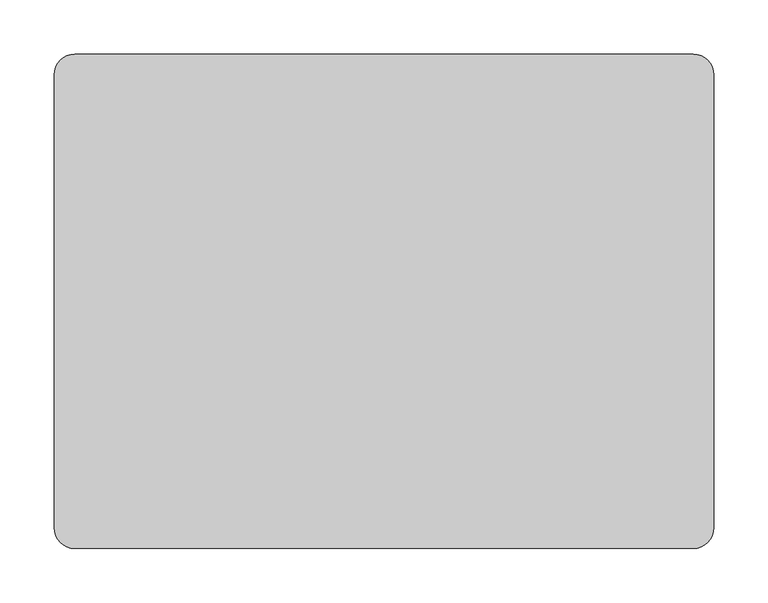
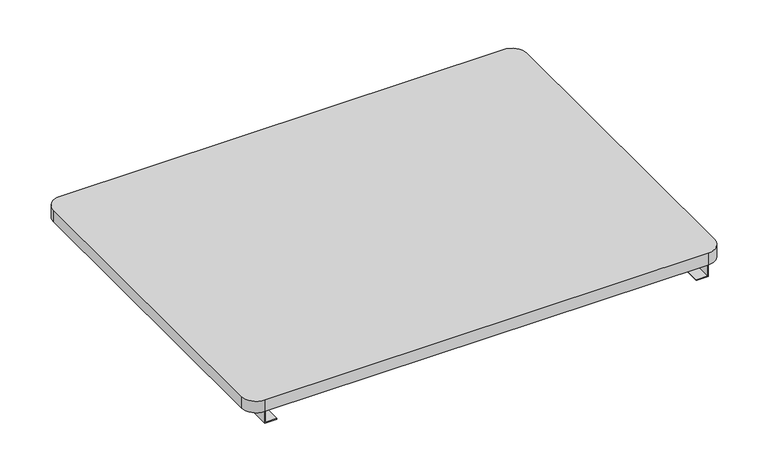
"""IFC4 building model written with IfcOpenShell, lengths in millimetres: furniture geometry."""

from ifc_helpers import new_model, si_unit, point, frame, frame_2d, origin, place, context, project, spatial, polyline, circle_curve, trimmed, segment, composite_curve, outline, extrude, source, transform, mapped, element, save


def furniture_171c40ad(model_context):
    return source(origin(), model_context, "Body", "SweptSolid", [
        extrude(outline(composite_curve([segment(trimmed(circle_curve(frame_2d((285.75, 209.55)), 19.05), [point((285.75, 228.6))], [point((304.8, 209.55))], False, "CARTESIAN"), True, "CONTINUOUS"), segment(polyline([(304.8, 209.55), (304.8, -209.55)]), True, "CONTINUOUS"), segment(trimmed(circle_curve(frame_2d((285.75, -209.55)), 19.05), [point((304.8, -209.55))], [point((285.75, -228.6))], False, "CARTESIAN"), True, "CONTINUOUS"), segment(polyline([(285.75, -228.6), (-285.75, -228.6)]), True, "CONTINUOUS"), segment(trimmed(circle_curve(frame_2d((-285.75, -209.55)), 19.05), [point((-285.75, -228.6))], [point((-304.8, -209.55))], False, "CARTESIAN"), True, "CONTINUOUS"), segment(polyline([(-304.8, -209.55), (-304.8, 209.55)]), True, "CONTINUOUS"), segment(trimmed(circle_curve(frame_2d((-285.75, 209.55)), 19.05), [point((-304.8, 209.55))], [point((-285.75, 228.6))], False, "CARTESIAN"), True, "CONTINUOUS"), segment(polyline([(-285.75, 228.6), (285.75, 228.6)]), True, "CONTINUOUS")], self_intersect=False)), frame((0.0, 0.0, 911.225), z_axis=(0.0, 0.0, 1.0), x_axis=(1.0, 0.0, 0.0)), (0.0, 0.0, 1.0), 15.875),
        extrude(outline(polyline([(895.35, -285.75), (895.35, -269.875), (896.14375, -269.875), (896.14375, -284.95625), (911.225, -284.95625), (911.225, -285.75), (895.35, -285.75)])), frame((0.0, -228.6, 0.0), z_axis=(0.0, 1.0, 0.0), x_axis=(0.0, 0.0, 1.0)), (0.0, 0.0, 1.0), 457.2),
        extrude(outline(polyline([(895.35, 285.75), (911.225, 285.75), (911.225, 284.95625), (896.14375, 284.95625), (896.14375, 269.875), (895.35, 269.875), (895.35, 285.75)])), frame((0.0, -228.6, 0.0), z_axis=(0.0, 1.0, 0.0), x_axis=(0.0, 0.0, 1.0)), (0.0, 0.0, 1.0), 457.2),
    ])


if __name__ == "__main__":
    model = new_model("IFC4")
    model_context = context("Model", 3, world=origin())
    ifc_project = project(units=[si_unit("LENGTHUNIT", "METRE", prefix="MILLI")], contexts=[model_context])
    site = spatial("IfcSite", under=ifc_project)
    building = spatial("IfcBuilding", under=site)
    placement = place(None, origin())
    furniture_shape = furniture_171c40ad(model_context)
    element("IfcFurniture", 1, at=placement, inside=building, context=model_context, shape_type="MappedRepresentation", body=[
        mapped(furniture_shape, transform((0.0, 0.0, 0.0), x_axis=(1.0, 0.0, 0.0), y_axis=(0.0, 1.0, 0.0), z_axis=(0.0, 0.0, 1.0))),
    ])
    save(model, "model.ifc")
